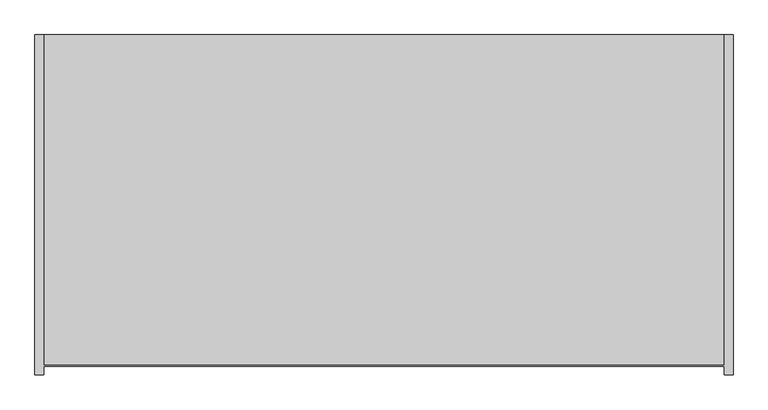
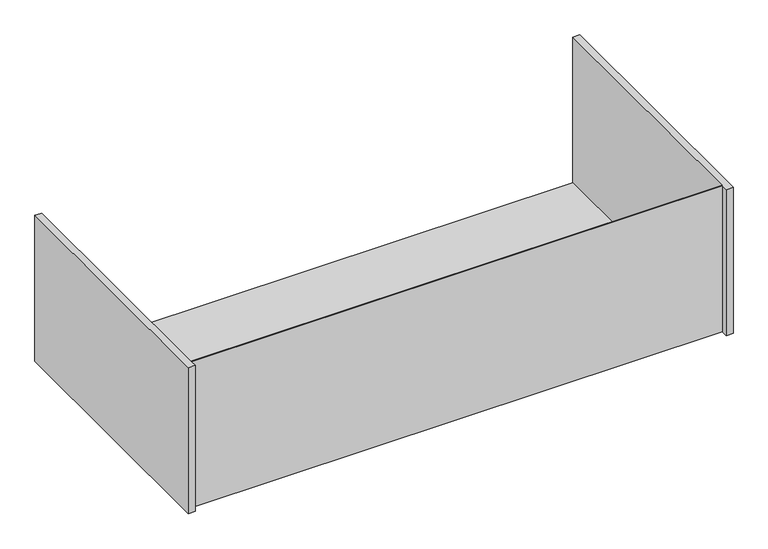
"""IFC4 building model written with IfcOpenShell, lengths in millimetres: furniture geometry."""

from ifc_helpers import new_model, si_unit, origin, place, context, project, spatial, faceted_brep, source, transform, mapped, element, save


def furniture_ce3d53ea(model_context):
    return source(origin(), model_context, "Body", "Brep", [
        faceted_brep([(742.95, -477.8375, 882.65), (-742.95, -477.8375, 882.65), (-742.95, 244.475, 882.65), (-762.0, 244.475, 882.65), (-762.0, -498.475, 882.65), (-742.95, -498.475, 882.65), (-742.95, -479.425, 882.65), (742.95, -479.425, 882.65), (742.95, -498.475, 882.65), (762.0, -498.475, 882.65), (762.0, 244.475, 882.65), (742.95, 244.475, 882.65), (-742.95, -479.425, 450.85), (742.95, -479.425, 450.85), (-742.95, -498.475, 450.85), (-762.0, -498.475, 450.85), (-762.0, 244.475, 450.85), (762.0, 244.475, 450.85), (762.0, -498.475, 450.85), (742.95, -498.475, 450.85), (-742.95, 244.475, 452.4375), (742.95, 244.475, 452.4375), (-742.95, -477.8375, 452.4375), (742.95, -477.8375, 452.4375)], [[[0, 1, 2, 3, 4, 5, 6, 7, 8, 9, 10, 11]], [[7, 6, 12, 13]], [[13, 12, 14, 15, 16, 17, 18, 19]], [[17, 16, 3, 2, 20, 21, 11, 10]], [[21, 20, 22, 23]], [[1, 0, 23, 22]], [[0, 11, 21, 23]], [[19, 8, 7, 13]], [[9, 8, 19, 18]], [[10, 9, 18, 17]], [[2, 1, 22, 20]], [[5, 14, 12, 6]], [[4, 3, 16, 15]], [[5, 4, 15, 14]]]),
    ])


if __name__ == "__main__":
    model = new_model("IFC4")
    model_context = context("Model", 3, world=origin())
    ifc_project = project(units=[si_unit("LENGTHUNIT", "METRE", prefix="MILLI")], contexts=[model_context])
    site = spatial("IfcSite", under=ifc_project)
    building = spatial("IfcBuilding", under=site)
    placement = place(None, origin())
    furniture_shape = furniture_ce3d53ea(model_context)
    element("IfcFurniture", 1, at=placement, inside=building, context=model_context, shape_type="MappedRepresentation", body=[
        mapped(furniture_shape, transform((0.0, 0.0, 0.0), x_axis=(1.0, 0.0, 0.0), y_axis=(0.0, 1.0, 0.0), z_axis=(0.0, 0.0, 1.0))),
    ])
    save(model, "model.ifc")
